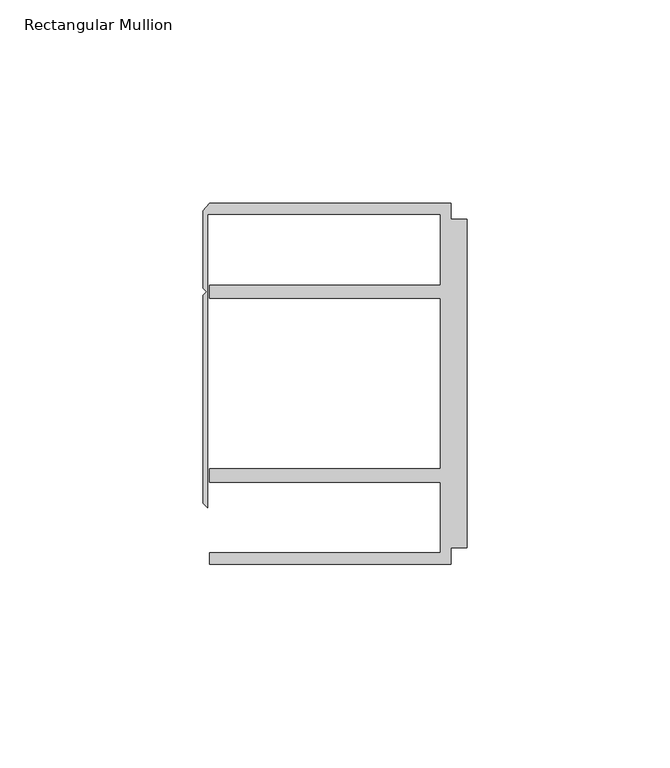
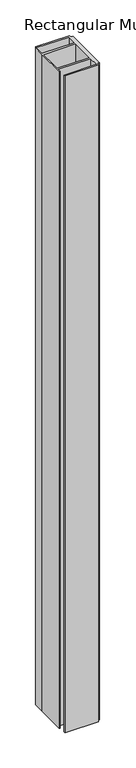
"""IFC4 building model written with IfcOpenShell, lengths in millimetres: member geometry, Rectangular Mullion."""

import ifcopenshell
import ifcopenshell.guid

model = None  # the IFC model being written
_history = None  # IfcOwnerHistory: only IFC2X3 demands one
_inside = {}  # id of a spatial element -> (the spatial element, [elements in it])
_under = {}  # id of a project, library or spatial element -> (it, [spatial elements below it])
_declared = {}  # id of a project -> (the project, [libraries it declares])
_typed = {}  # id of a type object -> (the type object, [elements of that type])
_made_of = {}  # id of a material, layer set ... -> (it, [elements and type objects made of it])


def new_model(schema):
    """Start an empty IFC model of exactly this schema.

    Asked for "IFC4X3", IfcOpenShell would pick the latest addendum, in which some entities
    have other attributes; the version numbers below select the first issue.
    IFC2X3 requires an IfcOwnerHistory on every rooted entity: one is made here for all.
    """
    global model, _history
    if schema == "IFC4X3":
        model = ifcopenshell.file(schema_version=(4, 3, 0, 0))
    else:
        model = ifcopenshell.file(schema=schema)
    _inside.clear()
    _under.clear()
    _declared.clear()
    _typed.clear()
    _made_of.clear()
    _history = None
    if model.schema == "IFC2X3":
        org = make("IfcOrganization", Name="unknown")
        user = make(
            "IfcPersonAndOrganization",
            ThePerson=make("IfcPerson", FamilyName="unknown"),
            TheOrganization=org,
        )
        app = make(
            "IfcApplication",
            ApplicationDeveloper=org,
            Version="unknown",
            ApplicationFullName="unknown",
            ApplicationIdentifier="unknown",
        )
        _history = make(
            "IfcOwnerHistory",
            OwningUser=user,
            OwningApplication=app,
            ChangeAction="ADDED",
            CreationDate=0,
        )
    return model


def make(cls, **values):
    """One entity of the class cls with the attributes given. An attribute that is None is left unset."""
    return model.create_entity(
        cls, **{name: value for name, value in values.items() if value is not None}
    )


def rooted(cls, **values):
    """An entity with a GlobalId (a new one), such as an element, a storey or a relation."""
    return make(cls, GlobalId=ifcopenshell.guid.new(), OwnerHistory=_history, **values)


def si_unit(unit_type, name, prefix=None):
    """IfcSIUnit, for example si_unit("LENGTHUNIT", "METRE", prefix="MILLI")."""
    return make("IfcSIUnit", UnitType=unit_type, Prefix=prefix, Name=name)


def assignment(units):
    """IfcUnitAssignment: the units of a project."""
    return None if units is None else make("IfcUnitAssignment", Units=units)


def point(xyz):
    """IfcCartesianPoint."""
    return None if xyz is None else make("IfcCartesianPoint", Coordinates=xyz)


def direction(xyz):
    """IfcDirection."""
    return None if xyz is None else make("IfcDirection", DirectionRatios=xyz)


def frame(location, z_axis=None, x_axis=None):
    """IfcAxis2Placement3D, a coordinate frame: its origin and axes. An axis left out is left unset."""
    return make(
        "IfcAxis2Placement3D",
        Location=point(location),
        Axis=direction(z_axis),
        RefDirection=direction(x_axis),
    )


def origin():
    """The frame at (0, 0, 0) with its axes left unset."""
    return frame((0.0, 0.0, 0.0))


def place(relative_to, where):
    """IfcLocalPlacement: puts the frame where relative to a parent placement (None: the world)."""
    return make(
        "IfcLocalPlacement", PlacementRelTo=relative_to, RelativePlacement=where
    )


def context(
    kind, dimensions, precision=None, world=None, true_north=None, identifier=None
):
    """IfcGeometricRepresentationContext, for example the 3D "Model" context."""
    return make(
        "IfcGeometricRepresentationContext",
        ContextIdentifier=identifier,
        ContextType=kind,
        CoordinateSpaceDimension=dimensions,
        Precision=precision,
        WorldCoordinateSystem=world,
        TrueNorth=true_north,
    )


def project(units=None, contexts=None):
    """IfcProject with its units and contexts."""
    return rooted(
        "IfcProject",
        Name="project",
        RepresentationContexts=contexts,
        UnitsInContext=assignment(units),
    )


def spatial(cls, under=None, at=None, **own):
    """A site, building, storey or space (cls), placed at a placement, below another one or the project."""
    s = rooted(cls, ObjectPlacement=at, **own)
    if under is not None:
        _under.setdefault(under.id(), (under, []))[1].append(s)
    return s


def polyline(points):
    """IfcPolyline through the points."""
    return make("IfcPolyline", Points=[point(p) for p in points])


def outline(outer, holes=None, kind="AREA"):
    """IfcArbitraryClosedProfileDef: a profile drawn as a closed curve; with holes, ...WithVoids."""
    if holes is None:
        return make("IfcArbitraryClosedProfileDef", ProfileType=kind, OuterCurve=outer)
    return make(
        "IfcArbitraryProfileDefWithVoids",
        ProfileType=kind,
        OuterCurve=outer,
        InnerCurves=holes,
    )


def extrude(swept, where, along, depth):
    """IfcExtrudedAreaSolid: the profile swept, set in the frame where, extruded along a direction by depth."""
    return make(
        "IfcExtrudedAreaSolid",
        SweptArea=swept,
        Position=where,
        ExtrudedDirection=direction(along),
        Depth=depth,
    )


def shape(context_of_items, identifier, shape_type, items):
    """IfcShapeRepresentation: the items that make up one representation, for example the "Body"."""
    return make(
        "IfcShapeRepresentation",
        ContextOfItems=context_of_items,
        RepresentationIdentifier=identifier,
        RepresentationType=shape_type,
        Items=items,
    )


def source(mapping_origin, context_of_items, identifier, shape_type, items):
    """IfcRepresentationMap: a shape defined once, which mapped items show again and again."""
    return make(
        "IfcRepresentationMap",
        MappingOrigin=mapping_origin,
        MappedRepresentation=shape(context_of_items, identifier, shape_type, items),
    )


def transform(
    local_origin,
    x_axis=None,
    y_axis=None,
    z_axis=None,
    scale=None,
    scale2=None,
    scale3=None,
    uniform=True,
):
    """IfcCartesianTransformationOperator3D, or its non-uniform kind. x_axis, y_axis, z_axis: its Axis1, 2, 3."""
    if uniform:
        return make(
            "IfcCartesianTransformationOperator3D",
            Axis1=direction(x_axis),
            Axis2=direction(y_axis),
            LocalOrigin=point(local_origin),
            Scale=scale,
            Axis3=direction(z_axis),
        )
    return make(
        "IfcCartesianTransformationOperator3DnonUniform",
        Axis1=direction(x_axis),
        Axis2=direction(y_axis),
        LocalOrigin=point(local_origin),
        Scale=scale,
        Axis3=direction(z_axis),
        Scale2=scale2,
        Scale3=scale3,
    )


def mapped(mapping_source, mapping_target):
    """IfcMappedItem: shows the shape of a source again, moved by a transform."""
    return make(
        "IfcMappedItem", MappingSource=mapping_source, MappingTarget=mapping_target
    )


def made_of(thing, what):
    """Note that an element or type object is made of a material, layer set ...; save() writes the relation."""
    if what is not None:
        _made_of.setdefault(what.id(), (what, []))[1].append(thing)
    return thing


def element(
    cls,
    number,
    at=None,
    inside=None,
    cuts=None,
    type_object=None,
    material=None,
    context=None,
    identifier="Body",
    shape_type=None,
    held_by="IfcProductDefinitionShape",
    body=None,
    shapes=None,
    **own,
):
    """One element of the class cls, such as IfcWall. Its Tag is "e" and its number.

    at: its placement. inside: the storey or other place that contains it. cuts: it is an
    opening in that element (IfcRelVoidsElement). A single representation is given by context,
    identifier, shape_type and body (its items); several are given by shapes. held_by: the class
    of the entity that holds the representations. save() writes the other relations.
    """
    e = rooted(cls, Tag="e%d" % number, ObjectPlacement=at, **own)
    if body is not None:
        shapes = [shape(context, identifier, shape_type, body)]
    if shapes is not None:
        e.Representation = make(held_by, Representations=shapes)
    if inside is not None:
        _inside.setdefault(inside.id(), (inside, []))[1].append(e)
    if cuts is not None:
        rooted(
            "IfcRelVoidsElement", RelatingBuildingElement=cuts, RelatedOpeningElement=e
        )
    if type_object is not None:
        _typed.setdefault(type_object.id(), (type_object, []))[1].append(e)
    return made_of(e, material)


def aggregate(whole, parts):
    """IfcRelAggregates: a whole, such as a stair, and the parts it consists of."""
    return rooted("IfcRelAggregates", RelatingObject=whole, RelatedObjects=parts)


def save(model, path):
    """Write the relations noted so far, then the file.

    IfcRelAggregates (storeys below a building ...), IfcRelContainedInSpatialStructure (elements
    in a storey), IfcRelDefinesByType, IfcRelAssociatesMaterial and IfcRelDeclares: one each for
    every whole, place, type object, material and project.
    """
    for whole, parts in _under.values():
        aggregate(whole, parts)
    for where, things in _inside.values():
        rooted(
            "IfcRelContainedInSpatialStructure",
            RelatedElements=things,
            RelatingStructure=where,
        )
    for kind, things in _typed.values():
        rooted("IfcRelDefinesByType", RelatedObjects=things, RelatingType=kind)
    for what, things in _made_of.values():
        rooted("IfcRelAssociatesMaterial", RelatedObjects=things, RelatingMaterial=what)
    for by, libraries in _declared.values():
        rooted("IfcRelDeclares", RelatingContext=by, RelatedDefinitions=libraries)
    model.write(path)


def rectangular_mullion_a721152c(model_context):
    return source(origin(), model_context, "Body", "SweptSolid", [
        extrude(outline(polyline([(-4.0000001, 44.45), (-4.0000001, 40.4500013), (0.0, 40.4500013), (0.0, -40.4500013), (-4.0000001, -40.4500013), (-4.0000001, -44.45), (-63.5, -44.45), (-63.5, -41.6500013), (-6.6000002, -41.6500013), (-6.6000002, -24.2500008), (-63.5, -24.2500008), (-63.5, -20.9500007), (-6.6000002, -20.9500007), (-6.6000002, 20.9500007), (-63.5, 20.9500007), (-63.5, 24.2500008), (-6.6000002, 24.2500008), (-6.6000002, 41.6500013), (-63.9424102, 41.6500013), (-63.9424102, -30.6159585), (-65.0875, -29.4708687), (-65.0875, 21.7153948), (-64.1791674, 22.6237274), (-65.0875, 23.53206), (-65.0875, 42.5778955), (-63.5, 44.45), (-4.0000001, 44.45)])), frame((0.0, 0.0, -1219.2), z_axis=(0.0, 0.0, 1.0), x_axis=(1.0, 0.0, 0.0)), (0.0, 0.0, 1.0), 1219.2),
    ])


if __name__ == "__main__":
    model = new_model("IFC4")
    model_context = context("Model", 3, world=origin())
    ifc_project = project(units=[si_unit("LENGTHUNIT", "METRE", prefix="MILLI")], contexts=[model_context])
    site = spatial("IfcSite", under=ifc_project)
    building = spatial("IfcBuilding", under=site)
    placement = place(None, origin())
    rectangular_mullion_shape = rectangular_mullion_a721152c(model_context)
    element("IfcMember", 1, ObjectType="Rectangular Mullion", at=placement, inside=building, context=model_context, shape_type="MappedRepresentation", body=[
        mapped(rectangular_mullion_shape, transform((0.0, 0.0, 0.0), x_axis=(1.0, 0.0, 0.0), y_axis=(0.0, 1.0, 0.0), z_axis=(0.0, 0.0, 1.0))),
    ])
    save(model, "model.ifc")
